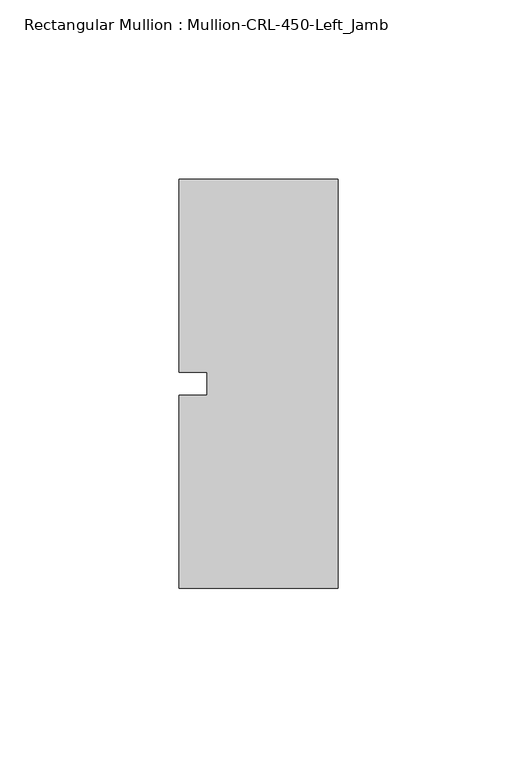
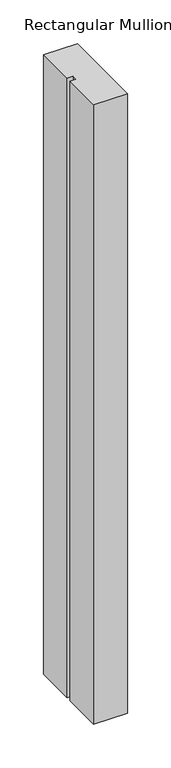
"""IFC4 building model written with IfcOpenShell, lengths in millimetres: member geometry, Rectangular Mullion : Mullion-CRL-450-Left_Jamb."""

from ifc_helpers import new_model, si_unit, frame, origin, place, context, project, spatial, polyline, outline, extrude, source, transform, mapped, element, save


def rectangular_mullion_mullion_crl_450_left_jamb_464e4148(model_context):
    return source(origin(), model_context, "Body", "SweptSolid", [
        extrude(outline(polyline([(0.0, 57.15), (0.0, -57.15), (-44.45, -57.15), (-44.45, -3.175), (-36.5125, -3.175), (-36.5125, 3.175), (-44.45, 3.175), (-44.45, 57.15), (0.0, 57.15)])), frame((0.0, 0.0, -863.6), z_axis=(0.0, 0.0, 1.0), x_axis=(1.0, 0.0, 0.0)), (0.0, 0.0, 1.0), 863.6),
    ])


if __name__ == "__main__":
    model = new_model("IFC4")
    model_context = context("Model", 3, world=origin())
    ifc_project = project(units=[si_unit("LENGTHUNIT", "METRE", prefix="MILLI")], contexts=[model_context])
    site = spatial("IfcSite", under=ifc_project)
    building = spatial("IfcBuilding", under=site)
    placement = place(None, origin())
    rectangular_mullion_mullion_crl_450_left_jamb_shape = rectangular_mullion_mullion_crl_450_left_jamb_464e4148(model_context)
    element("IfcMember", 1, ObjectType="Rectangular Mullion : Mullion-CRL-450-Left_Jamb", at=placement, inside=building, context=model_context, shape_type="MappedRepresentation", body=[
        mapped(rectangular_mullion_mullion_crl_450_left_jamb_shape, transform((0.0, 0.0, 0.0), x_axis=(1.0, 0.0, 0.0), y_axis=(0.0, 1.0, 0.0), z_axis=(0.0, 0.0, 1.0))),
    ])
    save(model, "model.ifc")
